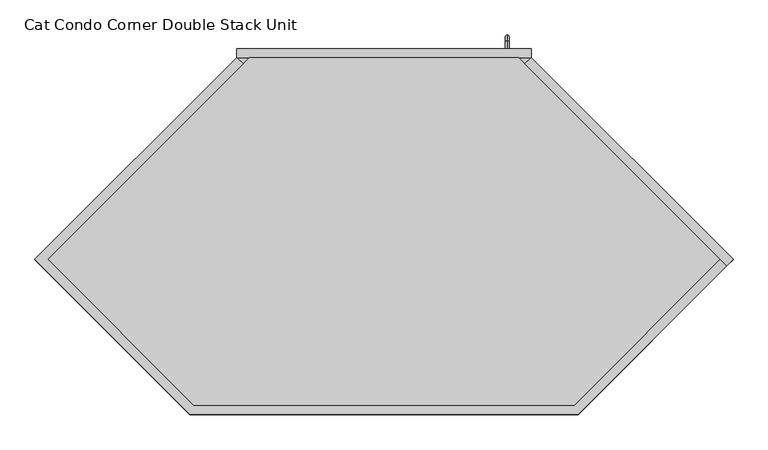
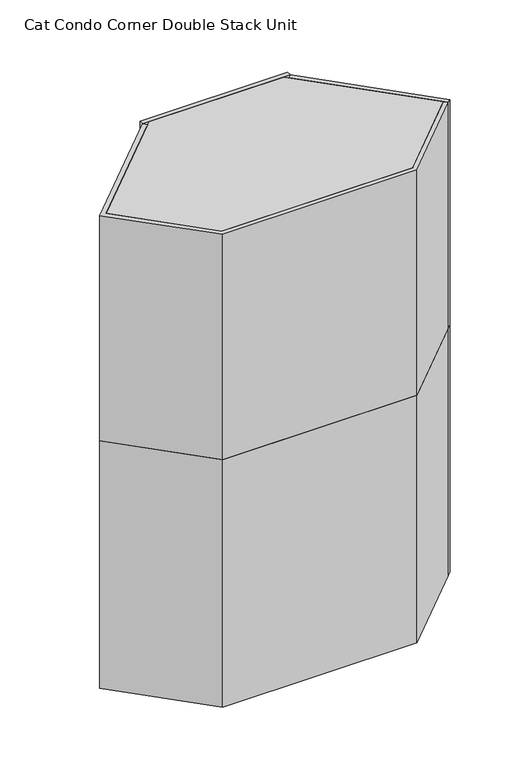
"""IFC4 building model written with IfcOpenShell, lengths in millimetres: proxy geometry, Cat Condo Corner Double Stack Unit."""

from ifc_helpers import new_model, si_unit, point, frame, frame_2d, origin, origin_with_axes, place, context, project, spatial, polyline, circle_curve, ellipse_curve, trimmed, segment, composite_curve, outline, extrude, faceted_brep, source, transform, mapped, element, save
from ifc_brep_helpers import plane_surface, cylinder_surface, revolved_surface, advanced_brep


def cat_condo_corner_double_stack_unit_9100a44b(model_context):
    return source(origin(), model_context, "Body", "SolidModel", [
        advanced_brep(
        [(567.1128423, 19.05, 1256.5493154), (567.1128423, 19.05, 1264.4006846), (567.1128423, 35.2117768, 1264.4006846), (567.1128423, 35.2117768, 1256.5493154), (567.1128423, 48.3756846, 1251.2367768), (567.1128423, 40.5243154, 1251.2367768), (567.1128423, 48.3756846, 1168.1132232), (567.1128423, 40.5243154, 1168.1132232), (567.1128423, 35.2117768, 1154.9493154), (567.1128423, 35.2117768, 1162.8006846), (567.1128423, 19.05, 1162.8006846), (567.1128423, 19.05, 1154.9493154)],
        [
            (0, 1, circle_curve(frame((567.1128423, 19.05, 1260.475), z_axis=(0.0, -1.0, 0.0), x_axis=(0.0, 0.0, 1.0)), 3.9256846)),
            (1, 0, circle_curve(frame((567.1128423, 19.05, 1260.475), z_axis=(0.0, -1.0, 0.0), x_axis=(0.0, 0.0, 1.0)), 3.9256846)),
            (1, 2),
            (2, 3, circle_curve(frame((567.1128423, 35.2117768, 1260.475), z_axis=(0.0, -1.0, 0.0), x_axis=(0.0, 0.0, 1.0)), 3.9256846)),
            (3, 0),
            (3, 2, circle_curve(frame((567.1128423, 35.2117768, 1260.475), z_axis=(0.0, -1.0, 0.0), x_axis=(0.0, 0.0, 1.0)), 3.9256846)),
            (4, 5, circle_curve(frame((567.1128423, 44.45, 1251.2367768), z_axis=(0.0, 0.0, 1.0), x_axis=(0.0, 1.0, 0.0)), 3.9256846)),
            (5, 3, circle_curve(frame((567.1128423, 35.2117768, 1251.2367768), z_axis=(1.0, 0.0, 0.0), x_axis=(0.0, 0.0, 1.0)), 5.3125387)),
            (2, 4, circle_curve(frame((567.1128423, 35.2117768, 1251.2367768), z_axis=(-1.0, 0.0, 0.0), x_axis=(0.0, 0.0, 1.0)), 13.1639078)),
            (5, 4, circle_curve(frame((567.1128423, 44.45, 1251.2367768), z_axis=(0.0, 0.0, 1.0), x_axis=(0.0, 1.0, 0.0)), 3.9256846)),
            (4, 6),
            (6, 7, circle_curve(frame((567.1128423, 44.45, 1168.1132232), z_axis=(0.0, 0.0, 1.0), x_axis=(0.0, 1.0, 0.0)), 3.9256846)),
            (7, 5),
            (7, 6, circle_curve(frame((567.1128423, 44.45, 1168.1132232), z_axis=(0.0, 0.0, 1.0), x_axis=(0.0, 1.0, 0.0)), 3.9256846)),
            (8, 9, circle_curve(frame((567.1128423, 35.2117768, 1158.875), z_axis=(0.0, 1.0, 0.0), x_axis=(0.0, 0.0, -1.0)), 3.9256846)),
            (9, 7, circle_curve(frame((567.1128423, 35.2117768, 1168.1132232), z_axis=(1.0, 0.0, 0.0), x_axis=(0.0, 1.0, 0.0)), 5.3125387)),
            (6, 8, circle_curve(frame((567.1128423, 35.2117768, 1168.1132232), z_axis=(-1.0, 0.0, 0.0), x_axis=(0.0, 1.0, 0.0)), 13.1639078)),
            (9, 8, circle_curve(frame((567.1128423, 35.2117768, 1158.875), z_axis=(0.0, 1.0, 0.0), x_axis=(0.0, 0.0, -1.0)), 3.9256846)),
            (10, 11, circle_curve(frame((567.1128423, 19.05, 1158.875), z_axis=(0.0, -1.0, 0.0), x_axis=(0.0, 0.0, -1.0)), 3.9256846)),
            (11, 10, circle_curve(frame((567.1128423, 19.05, 1158.875), z_axis=(0.0, -1.0, 0.0), x_axis=(0.0, 0.0, -1.0)), 3.9256846)),
            (8, 11),
            (10, 9),
        ],
        [
            plane_surface(frame((567.1128423, 19.05, 1260.475), z_axis=(0.0, -1.0, 0.0), x_axis=(1.0, 0.0, 0.0))),
            cylinder_surface(frame((567.1128423, 19.05, 1260.475), z_axis=(0.0, -1.0, 0.0), x_axis=(0.0, 0.0, 1.0)), 3.9256846),
            revolved_surface(trimmed(ellipse_curve(frame((567.1128423, 35.2117768, 1260.475), z_axis=(0.0, 1.0, 0.0), x_axis=(0.0, 0.0, 1.0)), 3.9256846, 3.9256846), [point((567.1128423, 35.2117768, 1256.5493154))], [point((567.1128423, 35.2117768, 1264.4006846))], True, "CARTESIAN"), (567.1128423, 35.2117768, 1251.2367768), (1.0, 0.0, 0.0)),
            revolved_surface(trimmed(ellipse_curve(frame((567.1128423, 35.2117768, 1260.475), z_axis=(0.0, 1.0, 0.0), x_axis=(0.0, 0.0, 1.0)), 3.9256846, 3.9256846), [point((567.1128423, 35.2117768, 1264.4006846))], [point((567.1128423, 35.2117768, 1256.5493154))], True, "CARTESIAN"), (567.1128423, 35.2117768, 1251.2367768), (1.0, 0.0, 0.0)),
            cylinder_surface(frame((567.1128423, 44.45, 1251.2367768), z_axis=(0.0, 0.0, 1.0), x_axis=(0.0, 1.0, 0.0)), 3.9256846),
            revolved_surface(trimmed(ellipse_curve(frame((567.1128423, 44.45, 1168.1132232), z_axis=(0.0, 0.0, -1.0), x_axis=(0.0, 1.0, 0.0)), 3.9256846, 3.9256846), [point((567.1128423, 40.5243154, 1168.1132232))], [point((567.1128423, 48.3756846, 1168.1132232))], True, "CARTESIAN"), (567.1128423, 35.2117768, 1168.1132232), (1.0, 0.0, 0.0)),
            revolved_surface(trimmed(ellipse_curve(frame((567.1128423, 44.45, 1168.1132232), z_axis=(0.0, 0.0, -1.0), x_axis=(0.0, 1.0, 0.0)), 3.9256846, 3.9256846), [point((567.1128423, 48.3756846, 1168.1132232))], [point((567.1128423, 40.5243154, 1168.1132232))], True, "CARTESIAN"), (567.1128423, 35.2117768, 1168.1132232), (1.0, 0.0, 0.0)),
            plane_surface(frame((567.1128423, 19.05, 1158.875), z_axis=(0.0, -1.0, 0.0), x_axis=(1.0, 0.0, 0.0))),
            cylinder_surface(frame((567.1128423, 35.2117768, 1158.875), z_axis=(0.0, 1.0, 0.0), x_axis=(0.0, 0.0, -1.0)), 3.9256846),
        ],
        [
            (0, [[1, 2]]),
            (1, [[3, 4, 5, -2]]),
            (1, [[-5, 6, -3, -1]]),
            (2, [[7, 8, -4, 9]]),
            (3, [[10, -9, -6, -8]]),
            (4, [[11, 12, 13, -7]]),
            (4, [[-13, 14, -11, -10]]),
            (5, [[15, 16, -12, 17]]),
            (6, [[18, -17, -14, -16]]),
            (7, [[19, 20]]),
            (8, [[21, -19, 22, -15]]),
            (8, [[-22, -20, -21, -18]]),
        ],
    ),
        extrude(outline(polyline([(1035.8671158, -444.522678), (604.814822, -13.4703842), (618.2852062, 0.0), (1049.3375, -431.0522938), (1035.8671158, -444.522678)])), frame((0.0, 0.0, 1114.425), z_axis=(0.0, 0.0, 1.0), x_axis=(1.0, 0.0, 0.0)), (0.0, 0.0, 1.0), 1012.825),
        extrude(outline(polyline([(-110.3772938, -762.0), (-441.325, -431.0522938), (-10.2727062, 0.0), (3.197678, -13.4703842), (-414.3842316, -431.0522938), (-102.4865254, -742.95), (710.4990254, -742.95), (1022.3967316, -431.0522938), (1035.8671158, -444.522678), (718.3897938, -762.0), (-110.3772938, -762.0)])), frame((0.0, 0.0, 1114.425), z_axis=(0.0, 0.0, 1.0), x_axis=(1.0, 0.0, 0.0)), (0.0, 0.0, 1.0), 1012.825),
        extrude(outline(polyline([(1022.3967316, -431.0522938), (710.4990254, -742.95), (-102.4865254, -742.95), (-414.3842316, -431.0522938), (16.6680622, 0.0), (591.3444378, 0.0), (1022.3967316, -431.0522938)])), frame((0.0, 0.0, 2108.2), z_axis=(0.0, 0.0, 1.0), x_axis=(1.0, 0.0, 0.0)), (0.0, 0.0, 1.0), 19.05),
        extrude(outline(polyline([(-102.4865254, -742.95), (-414.3842316, -431.0522938), (-2.3819378, -19.05), (610.3944378, -19.05), (1022.3967316, -431.0522938), (710.4990254, -742.95), (-102.4865254, -742.95)])), frame((0.0, 0.0, 1114.425), z_axis=(0.0, 0.0, 1.0), x_axis=(1.0, 0.0, 0.0)), (0.0, 0.0, 1.0), 19.05),
        extrude(outline(composite_curve([segment(trimmed(circle_curve(frame_2d((9.6602248, 1944.6875)), 0.79375), [point((9.6602248, 1945.48125))], [point((9.6602248, 1943.89375))], False, "CARTESIAN"), True, "CONTINUOUS"), segment(trimmed(circle_curve(frame_2d((9.6602248, 1944.6875)), 0.79375), [point((9.6602248, 1943.89375))], [point((9.6602248, 1945.48125))], False, "CARTESIAN"), True, "CONTINUOUS")], self_intersect=False)), frame((78.58125, 0.0, 0.0), z_axis=(1.0, 0.0, 0.0), x_axis=(0.0, 1.0, 0.0)), (0.0, 0.0, 1.0), 450.85),
        extrude(outline(composite_curve([segment(trimmed(circle_curve(frame_2d((9.6602248, 1843.0875)), 0.79375), [point((9.6602248, 1843.88125))], [point((9.6602248, 1842.29375))], False, "CARTESIAN"), True, "CONTINUOUS"), segment(trimmed(circle_curve(frame_2d((9.6602248, 1843.0875)), 0.79375), [point((9.6602248, 1842.29375))], [point((9.6602248, 1843.88125))], False, "CARTESIAN"), True, "CONTINUOUS")], self_intersect=False)), frame((78.58125, 0.0, 0.0), z_axis=(1.0, 0.0, 0.0), x_axis=(0.0, 1.0, 0.0)), (0.0, 0.0, 1.0), 450.85),
        extrude(outline(composite_curve([segment(trimmed(circle_curve(frame_2d((9.6602248, 1741.4875)), 0.79375), [point((9.6602248, 1742.28125))], [point((9.6602248, 1740.69375))], False, "CARTESIAN"), True, "CONTINUOUS"), segment(trimmed(circle_curve(frame_2d((9.6602248, 1741.4875)), 0.79375), [point((9.6602248, 1740.69375))], [point((9.6602248, 1742.28125))], False, "CARTESIAN"), True, "CONTINUOUS")], self_intersect=False)), frame((78.58125, 0.0, 0.0), z_axis=(1.0, 0.0, 0.0), x_axis=(0.0, 1.0, 0.0)), (0.0, 0.0, 1.0), 450.85),
        extrude(outline(composite_curve([segment(trimmed(circle_curve(frame_2d((9.6602248, 1639.8875)), 0.79375), [point((9.6602248, 1640.68125))], [point((9.6602248, 1639.09375))], False, "CARTESIAN"), True, "CONTINUOUS"), segment(trimmed(circle_curve(frame_2d((9.6602248, 1639.8875)), 0.79375), [point((9.6602248, 1639.09375))], [point((9.6602248, 1640.68125))], False, "CARTESIAN"), True, "CONTINUOUS")], self_intersect=False)), frame((78.58125, 0.0, 0.0), z_axis=(1.0, 0.0, 0.0), x_axis=(0.0, 1.0, 0.0)), (0.0, 0.0, 1.0), 450.85),
        extrude(outline(composite_curve([segment(trimmed(circle_curve(frame_2d((9.6602248, 1538.2875)), 0.79375), [point((9.6602248, 1539.08125))], [point((9.6602248, 1537.49375))], False, "CARTESIAN"), True, "CONTINUOUS"), segment(trimmed(circle_curve(frame_2d((9.6602248, 1538.2875)), 0.79375), [point((9.6602248, 1537.49375))], [point((9.6602248, 1539.08125))], False, "CARTESIAN"), True, "CONTINUOUS")], self_intersect=False)), frame((78.58125, 0.0, 0.0), z_axis=(1.0, 0.0, 0.0), x_axis=(0.0, 1.0, 0.0)), (0.0, 0.0, 1.0), 450.85),
        extrude(outline(composite_curve([segment(trimmed(circle_curve(frame_2d((9.6602248, 1436.6875)), 0.79375), [point((9.6602248, 1437.48125))], [point((9.6602248, 1435.89375))], False, "CARTESIAN"), True, "CONTINUOUS"), segment(trimmed(circle_curve(frame_2d((9.6602248, 1436.6875)), 0.79375), [point((9.6602248, 1435.89375))], [point((9.6602248, 1437.48125))], False, "CARTESIAN"), True, "CONTINUOUS")], self_intersect=False)), frame((78.58125, 0.0, 0.0), z_axis=(1.0, 0.0, 0.0), x_axis=(0.0, 1.0, 0.0)), (0.0, 0.0, 1.0), 450.85),
        extrude(outline(composite_curve([segment(trimmed(circle_curve(frame_2d((9.6602248, 1335.0875)), 0.79375), [point((9.6602248, 1335.88125))], [point((9.6602248, 1334.29375))], False, "CARTESIAN"), True, "CONTINUOUS"), segment(trimmed(circle_curve(frame_2d((9.6602248, 1335.0875)), 0.79375), [point((9.6602248, 1334.29375))], [point((9.6602248, 1335.88125))], False, "CARTESIAN"), True, "CONTINUOUS")], self_intersect=False)), frame((78.58125, 0.0, 0.0), z_axis=(1.0, 0.0, 0.0), x_axis=(0.0, 1.0, 0.0)), (0.0, 0.0, 1.0), 450.85),
        extrude(outline(composite_curve([segment(trimmed(circle_curve(frame_2d((511.0919665, 9.6602248)), 0.79375), [point((510.2982165, 9.6602248))], [point((511.8857165, 9.6602248))], False, "CARTESIAN"), True, "CONTINUOUS"), segment(trimmed(circle_curve(frame_2d((511.0919665, 9.6602248)), 0.79375), [point((511.8857165, 9.6602248))], [point((510.2982165, 9.6602248))], False, "CARTESIAN"), True, "CONTINUOUS")], self_intersect=False)), frame((0.0, 0.0, 1244.6), z_axis=(0.0, 0.0, 1.0), x_axis=(1.0, 0.0, 0.0)), (0.0, 0.0, 1.0), 803.275),
        extrude(outline(composite_curve([segment(trimmed(circle_curve(frame_2d((485.6919665, 9.6602248)), 0.79375), [point((484.8982165, 9.6602248))], [point((486.4857165, 9.6602248))], False, "CARTESIAN"), True, "CONTINUOUS"), segment(trimmed(circle_curve(frame_2d((485.6919665, 9.6602248)), 0.79375), [point((486.4857165, 9.6602248))], [point((484.8982165, 9.6602248))], False, "CARTESIAN"), True, "CONTINUOUS")], self_intersect=False)), frame((0.0, 0.0, 1244.6), z_axis=(0.0, 0.0, 1.0), x_axis=(1.0, 0.0, 0.0)), (0.0, 0.0, 1.0), 803.275),
        extrude(outline(composite_curve([segment(trimmed(circle_curve(frame_2d((460.2919665, 9.6602248)), 0.79375), [point((459.4982165, 9.6602248))], [point((461.0857165, 9.6602248))], False, "CARTESIAN"), True, "CONTINUOUS"), segment(trimmed(circle_curve(frame_2d((460.2919665, 9.6602248)), 0.79375), [point((461.0857165, 9.6602248))], [point((459.4982165, 9.6602248))], False, "CARTESIAN"), True, "CONTINUOUS")], self_intersect=False)), frame((0.0, 0.0, 1244.6), z_axis=(0.0, 0.0, 1.0), x_axis=(1.0, 0.0, 0.0)), (0.0, 0.0, 1.0), 803.275),
        extrude(outline(composite_curve([segment(trimmed(circle_curve(frame_2d((434.8919665, 9.6602248)), 0.79375), [point((434.0982165, 9.6602248))], [point((435.6857165, 9.6602248))], False, "CARTESIAN"), True, "CONTINUOUS"), segment(trimmed(circle_curve(frame_2d((434.8919665, 9.6602248)), 0.79375), [point((435.6857165, 9.6602248))], [point((434.0982165, 9.6602248))], False, "CARTESIAN"), True, "CONTINUOUS")], self_intersect=False)), frame((0.0, 0.0, 1244.6), z_axis=(0.0, 0.0, 1.0), x_axis=(1.0, 0.0, 0.0)), (0.0, 0.0, 1.0), 803.275),
        extrude(outline(composite_curve([segment(trimmed(circle_curve(frame_2d((409.4919665, 9.6602248)), 0.79375), [point((408.6982165, 9.6602248))], [point((410.2857165, 9.6602248))], False, "CARTESIAN"), True, "CONTINUOUS"), segment(trimmed(circle_curve(frame_2d((409.4919665, 9.6602248)), 0.79375), [point((410.2857165, 9.6602248))], [point((408.6982165, 9.6602248))], False, "CARTESIAN"), True, "CONTINUOUS")], self_intersect=False)), frame((0.0, 0.0, 1244.6), z_axis=(0.0, 0.0, 1.0), x_axis=(1.0, 0.0, 0.0)), (0.0, 0.0, 1.0), 803.275),
        extrude(outline(composite_curve([segment(trimmed(circle_curve(frame_2d((384.0919665, 9.6602248)), 0.79375), [point((383.2982165, 9.6602248))], [point((384.8857165, 9.6602248))], False, "CARTESIAN"), True, "CONTINUOUS"), segment(trimmed(circle_curve(frame_2d((384.0919665, 9.6602248)), 0.79375), [point((384.8857165, 9.6602248))], [point((383.2982165, 9.6602248))], False, "CARTESIAN"), True, "CONTINUOUS")], self_intersect=False)), frame((0.0, 0.0, 1244.6), z_axis=(0.0, 0.0, 1.0), x_axis=(1.0, 0.0, 0.0)), (0.0, 0.0, 1.0), 803.275),
        extrude(outline(composite_curve([segment(trimmed(circle_curve(frame_2d((358.6919665, 9.6602248)), 0.79375), [point((357.8982165, 9.6602248))], [point((359.4857165, 9.6602248))], False, "CARTESIAN"), True, "CONTINUOUS"), segment(trimmed(circle_curve(frame_2d((358.6919665, 9.6602248)), 0.79375), [point((359.4857165, 9.6602248))], [point((357.8982165, 9.6602248))], False, "CARTESIAN"), True, "CONTINUOUS")], self_intersect=False)), frame((0.0, 0.0, 1244.6), z_axis=(0.0, 0.0, 1.0), x_axis=(1.0, 0.0, 0.0)), (0.0, 0.0, 1.0), 803.275),
        extrude(outline(composite_curve([segment(trimmed(circle_curve(frame_2d((333.2919665, 9.6602248)), 0.79375), [point((332.4982165, 9.6602248))], [point((334.0857165, 9.6602248))], False, "CARTESIAN"), True, "CONTINUOUS"), segment(trimmed(circle_curve(frame_2d((333.2919665, 9.6602248)), 0.79375), [point((334.0857165, 9.6602248))], [point((332.4982165, 9.6602248))], False, "CARTESIAN"), True, "CONTINUOUS")], self_intersect=False)), frame((0.0, 0.0, 1244.6), z_axis=(0.0, 0.0, 1.0), x_axis=(1.0, 0.0, 0.0)), (0.0, 0.0, 1.0), 803.275),
        extrude(outline(composite_curve([segment(trimmed(circle_curve(frame_2d((307.8919665, 9.6602248)), 0.79375), [point((307.0982165, 9.6602248))], [point((308.6857165, 9.6602248))], False, "CARTESIAN"), True, "CONTINUOUS"), segment(trimmed(circle_curve(frame_2d((307.8919665, 9.6602248)), 0.79375), [point((308.6857165, 9.6602248))], [point((307.0982165, 9.6602248))], False, "CARTESIAN"), True, "CONTINUOUS")], self_intersect=False)), frame((0.0, 0.0, 1244.6), z_axis=(0.0, 0.0, 1.0), x_axis=(1.0, 0.0, 0.0)), (0.0, 0.0, 1.0), 803.275),
        extrude(outline(composite_curve([segment(trimmed(circle_curve(frame_2d((282.4919665, 9.6602248)), 0.79375), [point((281.6982165, 9.6602248))], [point((283.2857165, 9.6602248))], False, "CARTESIAN"), True, "CONTINUOUS"), segment(trimmed(circle_curve(frame_2d((282.4919665, 9.6602248)), 0.79375), [point((283.2857165, 9.6602248))], [point((281.6982165, 9.6602248))], False, "CARTESIAN"), True, "CONTINUOUS")], self_intersect=False)), frame((0.0, 0.0, 1244.6), z_axis=(0.0, 0.0, 1.0), x_axis=(1.0, 0.0, 0.0)), (0.0, 0.0, 1.0), 803.275),
        extrude(outline(composite_curve([segment(trimmed(circle_curve(frame_2d((257.0919665, 9.6602248)), 0.79375), [point((256.2982165, 9.6602248))], [point((257.8857165, 9.6602248))], False, "CARTESIAN"), True, "CONTINUOUS"), segment(trimmed(circle_curve(frame_2d((257.0919665, 9.6602248)), 0.79375), [point((257.8857165, 9.6602248))], [point((256.2982165, 9.6602248))], False, "CARTESIAN"), True, "CONTINUOUS")], self_intersect=False)), frame((0.0, 0.0, 1244.6), z_axis=(0.0, 0.0, 1.0), x_axis=(1.0, 0.0, 0.0)), (0.0, 0.0, 1.0), 803.275),
        extrude(outline(composite_curve([segment(trimmed(circle_curve(frame_2d((231.6919665, 9.6602248)), 0.79375), [point((230.8982165, 9.6602248))], [point((232.4857165, 9.6602248))], False, "CARTESIAN"), True, "CONTINUOUS"), segment(trimmed(circle_curve(frame_2d((231.6919665, 9.6602248)), 0.79375), [point((232.4857165, 9.6602248))], [point((230.8982165, 9.6602248))], False, "CARTESIAN"), True, "CONTINUOUS")], self_intersect=False)), frame((0.0, 0.0, 1244.6), z_axis=(0.0, 0.0, 1.0), x_axis=(1.0, 0.0, 0.0)), (0.0, 0.0, 1.0), 803.275),
        extrude(outline(composite_curve([segment(trimmed(circle_curve(frame_2d((206.2919665, 9.6602248)), 0.79375), [point((205.4982165, 9.6602248))], [point((207.0857165, 9.6602248))], False, "CARTESIAN"), True, "CONTINUOUS"), segment(trimmed(circle_curve(frame_2d((206.2919665, 9.6602248)), 0.79375), [point((207.0857165, 9.6602248))], [point((205.4982165, 9.6602248))], False, "CARTESIAN"), True, "CONTINUOUS")], self_intersect=False)), frame((0.0, 0.0, 1244.6), z_axis=(0.0, 0.0, 1.0), x_axis=(1.0, 0.0, 0.0)), (0.0, 0.0, 1.0), 803.275),
        extrude(outline(composite_curve([segment(trimmed(circle_curve(frame_2d((180.8919665, 9.6602248)), 0.79375), [point((180.0982165, 9.6602248))], [point((181.6857165, 9.6602248))], False, "CARTESIAN"), True, "CONTINUOUS"), segment(trimmed(circle_curve(frame_2d((180.8919665, 9.6602248)), 0.79375), [point((181.6857165, 9.6602248))], [point((180.0982165, 9.6602248))], False, "CARTESIAN"), True, "CONTINUOUS")], self_intersect=False)), frame((0.0, 0.0, 1244.6), z_axis=(0.0, 0.0, 1.0), x_axis=(1.0, 0.0, 0.0)), (0.0, 0.0, 1.0), 803.275),
        extrude(outline(composite_curve([segment(trimmed(circle_curve(frame_2d((155.4919665, 9.6602248)), 0.79375), [point((154.6982165, 9.6602248))], [point((156.2857165, 9.6602248))], False, "CARTESIAN"), True, "CONTINUOUS"), segment(trimmed(circle_curve(frame_2d((155.4919665, 9.6602248)), 0.79375), [point((156.2857165, 9.6602248))], [point((154.6982165, 9.6602248))], False, "CARTESIAN"), True, "CONTINUOUS")], self_intersect=False)), frame((0.0, 0.0, 1244.6), z_axis=(0.0, 0.0, 1.0), x_axis=(1.0, 0.0, 0.0)), (0.0, 0.0, 1.0), 803.275),
        extrude(outline(composite_curve([segment(trimmed(circle_curve(frame_2d((130.0919665, 9.6602248)), 0.79375), [point((129.2982165, 9.6602248))], [point((130.8857165, 9.6602248))], False, "CARTESIAN"), True, "CONTINUOUS"), segment(trimmed(circle_curve(frame_2d((130.0919665, 9.6602248)), 0.79375), [point((130.8857165, 9.6602248))], [point((129.2982165, 9.6602248))], False, "CARTESIAN"), True, "CONTINUOUS")], self_intersect=False)), frame((0.0, 0.0, 1244.6), z_axis=(0.0, 0.0, 1.0), x_axis=(1.0, 0.0, 0.0)), (0.0, 0.0, 1.0), 803.275),
        extrude(outline(composite_curve([segment(trimmed(circle_curve(frame_2d((104.6919665, 9.6602248)), 0.79375), [point((103.8982165, 9.6602248))], [point((105.4857165, 9.6602248))], False, "CARTESIAN"), True, "CONTINUOUS"), segment(trimmed(circle_curve(frame_2d((104.6919665, 9.6602248)), 0.79375), [point((105.4857165, 9.6602248))], [point((103.8982165, 9.6602248))], False, "CARTESIAN"), True, "CONTINUOUS")], self_intersect=False)), frame((0.0, 0.0, 1244.6), z_axis=(0.0, 0.0, 1.0), x_axis=(1.0, 0.0, 0.0)), (0.0, 0.0, 1.0), 803.275),
        extrude(outline(polyline([(2127.25, -10.2727062), (1114.425, -10.2727062), (1114.425, 618.2852062), (2127.25, 618.2852062), (2127.25, -10.2727062)]), holes=[composite_curve([segment(trimmed(circle_curve(frame_2d((2022.475, 504.03125)), 25.4), [point((2047.875, 504.03125))], [point((2022.475, 529.43125))], True, "CARTESIAN"), True, "CONTINUOUS"), segment(polyline([(2022.475, 529.43125), (1270.0, 529.43125)]), True, "CONTINUOUS"), segment(trimmed(circle_curve(frame_2d((1270.0, 504.03125)), 25.4), [point((1270.0, 529.43125))], [point((1244.6, 504.03125))], True, "CARTESIAN"), True, "CONTINUOUS"), segment(polyline([(1244.6, 504.03125), (1244.6, 103.98125)]), True, "CONTINUOUS"), segment(trimmed(circle_curve(frame_2d((1270.0, 103.98125)), 25.4), [point((1244.6, 103.98125))], [point((1270.0, 78.58125))], True, "CARTESIAN"), True, "CONTINUOUS"), segment(polyline([(1270.0, 78.58125), (2022.475, 78.58125)]), True, "CONTINUOUS"), segment(trimmed(circle_curve(frame_2d((2022.475, 103.98125)), 25.4), [point((2022.475, 78.58125))], [point((2047.875, 103.98125))], True, "CARTESIAN"), True, "CONTINUOUS"), segment(polyline([(2047.875, 103.98125), (2047.875, 504.03125)]), True, "CONTINUOUS")], self_intersect=False)]), frame((0.0, 0.0, 0.0), z_axis=(0.0, 1.0, 0.0), x_axis=(0.0, 0.0, 1.0)), (0.0, 0.0, 1.0), 19.05),
        advanced_brep(
        [(567.1128423, 19.05, 1069.2243154), (567.1128423, 19.05, 1077.0756846), (567.1128423, 35.2117768, 1077.0756846), (567.1128423, 35.2117768, 1069.2243154), (567.1128423, 48.3756846, 1063.9117768), (567.1128423, 40.5243154, 1063.9117768), (567.1128423, 48.3756846, 980.7882232), (567.1128423, 40.5243154, 980.7882232), (567.1128423, 35.2117768, 967.6243154), (567.1128423, 35.2117768, 975.4756846), (567.1128423, 19.05, 975.4756846), (567.1128423, 19.05, 967.6243154)],
        [
            (0, 1, circle_curve(frame((567.1128423, 19.05, 1073.15), z_axis=(0.0, -1.0, 0.0), x_axis=(0.0, 0.0, 1.0)), 3.9256846)),
            (1, 0, circle_curve(frame((567.1128423, 19.05, 1073.15), z_axis=(0.0, -1.0, 0.0), x_axis=(0.0, 0.0, 1.0)), 3.9256846)),
            (1, 2),
            (2, 3, circle_curve(frame((567.1128423, 35.2117768, 1073.15), z_axis=(0.0, -1.0, 0.0), x_axis=(0.0, 0.0, 1.0)), 3.9256846)),
            (3, 0),
            (3, 2, circle_curve(frame((567.1128423, 35.2117768, 1073.15), z_axis=(0.0, -1.0, 0.0), x_axis=(0.0, 0.0, 1.0)), 3.9256846)),
            (4, 5, circle_curve(frame((567.1128423, 44.45, 1063.9117768), z_axis=(0.0, 0.0, 1.0), x_axis=(0.0, 1.0, 0.0)), 3.9256846)),
            (5, 3, circle_curve(frame((567.1128423, 35.2117768, 1063.9117768), z_axis=(1.0, 0.0, 0.0), x_axis=(0.0, 0.0, 1.0)), 5.3125387)),
            (2, 4, circle_curve(frame((567.1128423, 35.2117768, 1063.9117768), z_axis=(-1.0, 0.0, 0.0), x_axis=(0.0, 0.0, 1.0)), 13.1639078)),
            (5, 4, circle_curve(frame((567.1128423, 44.45, 1063.9117768), z_axis=(0.0, 0.0, 1.0), x_axis=(0.0, 1.0, 0.0)), 3.9256846)),
            (4, 6),
            (6, 7, circle_curve(frame((567.1128423, 44.45, 980.7882232), z_axis=(0.0, 0.0, 1.0), x_axis=(0.0, 1.0, 0.0)), 3.9256846)),
            (7, 5),
            (7, 6, circle_curve(frame((567.1128423, 44.45, 980.7882232), z_axis=(0.0, 0.0, 1.0), x_axis=(0.0, 1.0, 0.0)), 3.9256846)),
            (8, 9, circle_curve(frame((567.1128423, 35.2117768, 971.55), z_axis=(0.0, 1.0, 0.0), x_axis=(0.0, 0.0, -1.0)), 3.9256846)),
            (9, 7, circle_curve(frame((567.1128423, 35.2117768, 980.7882232), z_axis=(1.0, 0.0, 0.0), x_axis=(0.0, 1.0, 0.0)), 5.3125387)),
            (6, 8, circle_curve(frame((567.1128423, 35.2117768, 980.7882232), z_axis=(-1.0, 0.0, 0.0), x_axis=(0.0, 1.0, 0.0)), 13.1639078)),
            (9, 8, circle_curve(frame((567.1128423, 35.2117768, 971.55), z_axis=(0.0, 1.0, 0.0), x_axis=(0.0, 0.0, -1.0)), 3.9256846)),
            (10, 11, circle_curve(frame((567.1128423, 19.05, 971.55), z_axis=(0.0, -1.0, 0.0), x_axis=(0.0, 0.0, -1.0)), 3.9256846)),
            (11, 10, circle_curve(frame((567.1128423, 19.05, 971.55), z_axis=(0.0, -1.0, 0.0), x_axis=(0.0, 0.0, -1.0)), 3.9256846)),
            (8, 11),
            (10, 9),
        ],
        [
            plane_surface(frame((567.1128423, 19.05, 1073.15), z_axis=(0.0, -1.0, 0.0), x_axis=(1.0, 0.0, 0.0))),
            cylinder_surface(frame((567.1128423, 19.05, 1073.15), z_axis=(0.0, -1.0, 0.0), x_axis=(0.0, 0.0, 1.0)), 3.9256846),
            revolved_surface(trimmed(ellipse_curve(frame((567.1128423, 35.2117768, 1073.15), z_axis=(0.0, 1.0, 0.0), x_axis=(0.0, 0.0, 1.0)), 3.9256846, 3.9256846), [point((567.1128423, 35.2117768, 1069.2243154))], [point((567.1128423, 35.2117768, 1077.0756846))], True, "CARTESIAN"), (567.1128423, 35.2117768, 1063.9117768), (1.0, 0.0, 0.0)),
            revolved_surface(trimmed(ellipse_curve(frame((567.1128423, 35.2117768, 1073.15), z_axis=(0.0, 1.0, 0.0), x_axis=(0.0, 0.0, 1.0)), 3.9256846, 3.9256846), [point((567.1128423, 35.2117768, 1077.0756846))], [point((567.1128423, 35.2117768, 1069.2243154))], True, "CARTESIAN"), (567.1128423, 35.2117768, 1063.9117768), (1.0, 0.0, 0.0)),
            cylinder_surface(frame((567.1128423, 44.45, 1063.9117768), z_axis=(0.0, 0.0, 1.0), x_axis=(0.0, 1.0, 0.0)), 3.9256846),
            revolved_surface(trimmed(ellipse_curve(frame((567.1128423, 44.45, 980.7882232), z_axis=(0.0, 0.0, -1.0), x_axis=(0.0, 1.0, 0.0)), 3.9256846, 3.9256846), [point((567.1128423, 40.5243154, 980.7882232))], [point((567.1128423, 48.3756846, 980.7882232))], True, "CARTESIAN"), (567.1128423, 35.2117768, 980.7882232), (1.0, 0.0, 0.0)),
            revolved_surface(trimmed(ellipse_curve(frame((567.1128423, 44.45, 980.7882232), z_axis=(0.0, 0.0, -1.0), x_axis=(0.0, 1.0, 0.0)), 3.9256846, 3.9256846), [point((567.1128423, 48.3756846, 980.7882232))], [point((567.1128423, 40.5243154, 980.7882232))], True, "CARTESIAN"), (567.1128423, 35.2117768, 980.7882232), (1.0, 0.0, 0.0)),
            plane_surface(frame((567.1128423, 19.05, 971.55), z_axis=(0.0, -1.0, 0.0), x_axis=(1.0, 0.0, 0.0))),
            cylinder_surface(frame((567.1128423, 35.2117768, 971.55), z_axis=(0.0, 1.0, 0.0), x_axis=(0.0, 0.0, -1.0)), 3.9256846),
        ],
        [
            (0, [[1, 2]]),
            (1, [[3, 4, 5, -2]]),
            (1, [[-5, 6, -3, -1]]),
            (2, [[7, 8, -4, 9]]),
            (3, [[10, -9, -6, -8]]),
            (4, [[11, 12, 13, -7]]),
            (4, [[-13, 14, -11, -10]]),
            (5, [[15, 16, -12, 17]]),
            (6, [[18, -17, -14, -16]]),
            (7, [[19, 20]]),
            (8, [[21, -19, 22, -15]]),
            (8, [[-22, -20, -21, -18]]),
        ],
    ),
        extrude(outline(polyline([(1035.8671158, -444.522678), (604.814822, -13.4703842), (618.2852062, 0.0), (1049.3375, -431.0522938), (1035.8671158, -444.522678)])), origin_with_axes(), (0.0, 0.0, 1.0), 1114.425),
        faceted_brep([(718.3897938, -762.0, 1114.425), (1035.8671158, -444.522678, 1114.425), (1022.3967316, -431.0522938, 1114.425), (710.4990254, -742.95, 1114.425), (-102.4865254, -742.95, 1114.425), (-414.3842316, -431.0522938, 1114.425), (3.197678, -13.4703842, 1114.425), (-10.2727062, 0.0, 1114.425), (-441.325, -431.0522938, 1114.425), (-110.3772938, -762.0, 1114.425), (-110.3772938, -762.0, 0.0), (-441.325, -431.0522938, 0.0), (-10.2727062, 0.0, 0.0), (618.2852062, 0.0, 0.0), (618.2852062, -19.05, 0.0), (-2.3819378, -19.05, 0.0), (-414.3842316, -431.0522938, 0.0), (-102.4865254, -742.95, 0.0), (710.4990254, -742.95, 0.0), (1022.3967316, -431.0522938, 0.0), (1035.8671158, -444.522678, 0.0), (718.3897938, -762.0, 0.0), (-10.2727062, 0.0, 101.6), (3.197678, -13.4703842, 101.6), (-2.3819378, -19.05, 101.6), (618.2852062, -19.05, 101.6), (618.2852062, 0.0, 101.6)], [[[0, 1, 2, 3, 4, 5, 6, 7, 8, 9]], [[10, 11, 12, 13, 14, 15, 16, 17, 18, 19, 20, 21]], [[9, 10, 21, 0]], [[4, 3, 18, 17]], [[4, 17, 16, 5]], [[9, 8, 11, 10]], [[1, 20, 19, 2]], [[19, 18, 3, 2]], [[0, 21, 20, 1]], [[7, 22, 12, 11, 8]], [[6, 23, 22, 7]], [[5, 16, 15, 24, 23, 6]], [[22, 23, 24, 25, 26]], [[25, 24, 15, 14]], [[26, 13, 12, 22]], [[25, 14, 13, 26]]]),
        extrude(outline(polyline([(1022.3967316, -431.0522938), (710.4990254, -742.95), (-102.4865254, -742.95), (-414.3842316, -431.0522938), (16.6680622, 0.0), (591.3444378, 0.0), (1022.3967316, -431.0522938)])), frame((0.0, 0.0, 1095.375), z_axis=(0.0, 0.0, 1.0), x_axis=(1.0, 0.0, 0.0)), (0.0, 0.0, 1.0), 19.05),
        extrude(outline(polyline([(-102.4865254, -742.95), (-414.3842316, -431.0522938), (-2.3819378, -19.05), (610.3944378, -19.05), (1022.3967316, -431.0522938), (710.4990254, -742.95), (-102.4865254, -742.95)])), frame((0.0, 0.0, 101.6), z_axis=(0.0, 0.0, 1.0), x_axis=(1.0, 0.0, 0.0)), (0.0, 0.0, 1.0), 19.05),
        extrude(outline(composite_curve([segment(trimmed(circle_curve(frame_2d((9.6602248, 931.8625)), 0.79375), [point((9.6602248, 932.65625))], [point((9.6602248, 931.06875))], False, "CARTESIAN"), True, "CONTINUOUS"), segment(trimmed(circle_curve(frame_2d((9.6602248, 931.8625)), 0.79375), [point((9.6602248, 931.06875))], [point((9.6602248, 932.65625))], False, "CARTESIAN"), True, "CONTINUOUS")], self_intersect=False)), frame((78.58125, 0.0, 0.0), z_axis=(1.0, 0.0, 0.0), x_axis=(0.0, 1.0, 0.0)), (0.0, 0.0, 1.0), 450.85),
        extrude(outline(composite_curve([segment(trimmed(circle_curve(frame_2d((9.6602248, 830.2625)), 0.79375), [point((9.6602248, 831.05625))], [point((9.6602248, 829.46875))], False, "CARTESIAN"), True, "CONTINUOUS"), segment(trimmed(circle_curve(frame_2d((9.6602248, 830.2625)), 0.79375), [point((9.6602248, 829.46875))], [point((9.6602248, 831.05625))], False, "CARTESIAN"), True, "CONTINUOUS")], self_intersect=False)), frame((78.58125, 0.0, 0.0), z_axis=(1.0, 0.0, 0.0), x_axis=(0.0, 1.0, 0.0)), (0.0, 0.0, 1.0), 450.85),
        extrude(outline(composite_curve([segment(trimmed(circle_curve(frame_2d((9.6602248, 728.6625)), 0.79375), [point((9.6602248, 729.45625))], [point((9.6602248, 727.86875))], False, "CARTESIAN"), True, "CONTINUOUS"), segment(trimmed(circle_curve(frame_2d((9.6602248, 728.6625)), 0.79375), [point((9.6602248, 727.86875))], [point((9.6602248, 729.45625))], False, "CARTESIAN"), True, "CONTINUOUS")], self_intersect=False)), frame((78.58125, 0.0, 0.0), z_axis=(1.0, 0.0, 0.0), x_axis=(0.0, 1.0, 0.0)), (0.0, 0.0, 1.0), 450.85),
        extrude(outline(composite_curve([segment(trimmed(circle_curve(frame_2d((9.6602248, 627.0625)), 0.79375), [point((9.6602248, 627.85625))], [point((9.6602248, 626.26875))], False, "CARTESIAN"), True, "CONTINUOUS"), segment(trimmed(circle_curve(frame_2d((9.6602248, 627.0625)), 0.79375), [point((9.6602248, 626.26875))], [point((9.6602248, 627.85625))], False, "CARTESIAN"), True, "CONTINUOUS")], self_intersect=False)), frame((78.58125, 0.0, 0.0), z_axis=(1.0, 0.0, 0.0), x_axis=(0.0, 1.0, 0.0)), (0.0, 0.0, 1.0), 450.85),
        extrude(outline(composite_curve([segment(trimmed(circle_curve(frame_2d((9.6602248, 525.4625)), 0.79375), [point((9.6602248, 526.25625))], [point((9.6602248, 524.66875))], False, "CARTESIAN"), True, "CONTINUOUS"), segment(trimmed(circle_curve(frame_2d((9.6602248, 525.4625)), 0.79375), [point((9.6602248, 524.66875))], [point((9.6602248, 526.25625))], False, "CARTESIAN"), True, "CONTINUOUS")], self_intersect=False)), frame((78.58125, 0.0, 0.0), z_axis=(1.0, 0.0, 0.0), x_axis=(0.0, 1.0, 0.0)), (0.0, 0.0, 1.0), 450.85),
        extrude(outline(composite_curve([segment(trimmed(circle_curve(frame_2d((9.6602248, 423.8625)), 0.79375), [point((9.6602248, 424.65625))], [point((9.6602248, 423.06875))], False, "CARTESIAN"), True, "CONTINUOUS"), segment(trimmed(circle_curve(frame_2d((9.6602248, 423.8625)), 0.79375), [point((9.6602248, 423.06875))], [point((9.6602248, 424.65625))], False, "CARTESIAN"), True, "CONTINUOUS")], self_intersect=False)), frame((78.58125, 0.0, 0.0), z_axis=(1.0, 0.0, 0.0), x_axis=(0.0, 1.0, 0.0)), (0.0, 0.0, 1.0), 450.85),
        extrude(outline(composite_curve([segment(trimmed(circle_curve(frame_2d((9.6602248, 322.2625)), 0.79375), [point((9.6602248, 323.05625))], [point((9.6602248, 321.46875))], False, "CARTESIAN"), True, "CONTINUOUS"), segment(trimmed(circle_curve(frame_2d((9.6602248, 322.2625)), 0.79375), [point((9.6602248, 321.46875))], [point((9.6602248, 323.05625))], False, "CARTESIAN"), True, "CONTINUOUS")], self_intersect=False)), frame((78.58125, 0.0, 0.0), z_axis=(1.0, 0.0, 0.0), x_axis=(0.0, 1.0, 0.0)), (0.0, 0.0, 1.0), 450.85),
        extrude(outline(composite_curve([segment(trimmed(circle_curve(frame_2d((511.0919665, 9.6602248)), 0.79375), [point((510.2982165, 9.6602248))], [point((511.8857165, 9.6602248))], False, "CARTESIAN"), True, "CONTINUOUS"), segment(trimmed(circle_curve(frame_2d((511.0919665, 9.6602248)), 0.79375), [point((511.8857165, 9.6602248))], [point((510.2982165, 9.6602248))], False, "CARTESIAN"), True, "CONTINUOUS")], self_intersect=False)), frame((0.0, 0.0, 231.775), z_axis=(0.0, 0.0, 1.0), x_axis=(1.0, 0.0, 0.0)), (0.0, 0.0, 1.0), 803.275),
        extrude(outline(composite_curve([segment(trimmed(circle_curve(frame_2d((485.6919665, 9.6602248)), 0.79375), [point((484.8982165, 9.6602248))], [point((486.4857165, 9.6602248))], False, "CARTESIAN"), True, "CONTINUOUS"), segment(trimmed(circle_curve(frame_2d((485.6919665, 9.6602248)), 0.79375), [point((486.4857165, 9.6602248))], [point((484.8982165, 9.6602248))], False, "CARTESIAN"), True, "CONTINUOUS")], self_intersect=False)), frame((0.0, 0.0, 231.775), z_axis=(0.0, 0.0, 1.0), x_axis=(1.0, 0.0, 0.0)), (0.0, 0.0, 1.0), 803.275),
        extrude(outline(composite_curve([segment(trimmed(circle_curve(frame_2d((460.2919665, 9.6602248)), 0.79375), [point((459.4982165, 9.6602248))], [point((461.0857165, 9.6602248))], False, "CARTESIAN"), True, "CONTINUOUS"), segment(trimmed(circle_curve(frame_2d((460.2919665, 9.6602248)), 0.79375), [point((461.0857165, 9.6602248))], [point((459.4982165, 9.6602248))], False, "CARTESIAN"), True, "CONTINUOUS")], self_intersect=False)), frame((0.0, 0.0, 231.775), z_axis=(0.0, 0.0, 1.0), x_axis=(1.0, 0.0, 0.0)), (0.0, 0.0, 1.0), 803.275),
        extrude(outline(composite_curve([segment(trimmed(circle_curve(frame_2d((434.8919665, 9.6602248)), 0.79375), [point((434.0982165, 9.6602248))], [point((435.6857165, 9.6602248))], False, "CARTESIAN"), True, "CONTINUOUS"), segment(trimmed(circle_curve(frame_2d((434.8919665, 9.6602248)), 0.79375), [point((435.6857165, 9.6602248))], [point((434.0982165, 9.6602248))], False, "CARTESIAN"), True, "CONTINUOUS")], self_intersect=False)), frame((0.0, 0.0, 231.775), z_axis=(0.0, 0.0, 1.0), x_axis=(1.0, 0.0, 0.0)), (0.0, 0.0, 1.0), 803.275),
        extrude(outline(composite_curve([segment(trimmed(circle_curve(frame_2d((409.4919665, 9.6602248)), 0.79375), [point((408.6982165, 9.6602248))], [point((410.2857165, 9.6602248))], False, "CARTESIAN"), True, "CONTINUOUS"), segment(trimmed(circle_curve(frame_2d((409.4919665, 9.6602248)), 0.79375), [point((410.2857165, 9.6602248))], [point((408.6982165, 9.6602248))], False, "CARTESIAN"), True, "CONTINUOUS")], self_intersect=False)), frame((0.0, 0.0, 231.775), z_axis=(0.0, 0.0, 1.0), x_axis=(1.0, 0.0, 0.0)), (0.0, 0.0, 1.0), 803.275),
        extrude(outline(composite_curve([segment(trimmed(circle_curve(frame_2d((384.0919665, 9.6602248)), 0.79375), [point((383.2982165, 9.6602248))], [point((384.8857165, 9.6602248))], False, "CARTESIAN"), True, "CONTINUOUS"), segment(trimmed(circle_curve(frame_2d((384.0919665, 9.6602248)), 0.79375), [point((384.8857165, 9.6602248))], [point((383.2982165, 9.6602248))], False, "CARTESIAN"), True, "CONTINUOUS")], self_intersect=False)), frame((0.0, 0.0, 231.775), z_axis=(0.0, 0.0, 1.0), x_axis=(1.0, 0.0, 0.0)), (0.0, 0.0, 1.0), 803.275),
        extrude(outline(composite_curve([segment(trimmed(circle_curve(frame_2d((358.6919665, 9.6602248)), 0.79375), [point((357.8982165, 9.6602248))], [point((359.4857165, 9.6602248))], False, "CARTESIAN"), True, "CONTINUOUS"), segment(trimmed(circle_curve(frame_2d((358.6919665, 9.6602248)), 0.79375), [point((359.4857165, 9.6602248))], [point((357.8982165, 9.6602248))], False, "CARTESIAN"), True, "CONTINUOUS")], self_intersect=False)), frame((0.0, 0.0, 231.775), z_axis=(0.0, 0.0, 1.0), x_axis=(1.0, 0.0, 0.0)), (0.0, 0.0, 1.0), 803.275),
        extrude(outline(composite_curve([segment(trimmed(circle_curve(frame_2d((333.2919665, 9.6602248)), 0.79375), [point((332.4982165, 9.6602248))], [point((334.0857165, 9.6602248))], False, "CARTESIAN"), True, "CONTINUOUS"), segment(trimmed(circle_curve(frame_2d((333.2919665, 9.6602248)), 0.79375), [point((334.0857165, 9.6602248))], [point((332.4982165, 9.6602248))], False, "CARTESIAN"), True, "CONTINUOUS")], self_intersect=False)), frame((0.0, 0.0, 231.775), z_axis=(0.0, 0.0, 1.0), x_axis=(1.0, 0.0, 0.0)), (0.0, 0.0, 1.0), 803.275),
        extrude(outline(composite_curve([segment(trimmed(circle_curve(frame_2d((307.8919665, 9.6602248)), 0.79375), [point((307.0982165, 9.6602248))], [point((308.6857165, 9.6602248))], False, "CARTESIAN"), True, "CONTINUOUS"), segment(trimmed(circle_curve(frame_2d((307.8919665, 9.6602248)), 0.79375), [point((308.6857165, 9.6602248))], [point((307.0982165, 9.6602248))], False, "CARTESIAN"), True, "CONTINUOUS")], self_intersect=False)), frame((0.0, 0.0, 231.775), z_axis=(0.0, 0.0, 1.0), x_axis=(1.0, 0.0, 0.0)), (0.0, 0.0, 1.0), 803.275),
        extrude(outline(composite_curve([segment(trimmed(circle_curve(frame_2d((282.4919665, 9.6602248)), 0.79375), [point((281.6982165, 9.6602248))], [point((283.2857165, 9.6602248))], False, "CARTESIAN"), True, "CONTINUOUS"), segment(trimmed(circle_curve(frame_2d((282.4919665, 9.6602248)), 0.79375), [point((283.2857165, 9.6602248))], [point((281.6982165, 9.6602248))], False, "CARTESIAN"), True, "CONTINUOUS")], self_intersect=False)), frame((0.0, 0.0, 231.775), z_axis=(0.0, 0.0, 1.0), x_axis=(1.0, 0.0, 0.0)), (0.0, 0.0, 1.0), 803.275),
        extrude(outline(composite_curve([segment(trimmed(circle_curve(frame_2d((257.0919665, 9.6602248)), 0.79375), [point((256.2982165, 9.6602248))], [point((257.8857165, 9.6602248))], False, "CARTESIAN"), True, "CONTINUOUS"), segment(trimmed(circle_curve(frame_2d((257.0919665, 9.6602248)), 0.79375), [point((257.8857165, 9.6602248))], [point((256.2982165, 9.6602248))], False, "CARTESIAN"), True, "CONTINUOUS")], self_intersect=False)), frame((0.0, 0.0, 231.775), z_axis=(0.0, 0.0, 1.0), x_axis=(1.0, 0.0, 0.0)), (0.0, 0.0, 1.0), 803.275),
        extrude(outline(composite_curve([segment(trimmed(circle_curve(frame_2d((231.6919665, 9.6602248)), 0.79375), [point((230.8982165, 9.6602248))], [point((232.4857165, 9.6602248))], False, "CARTESIAN"), True, "CONTINUOUS"), segment(trimmed(circle_curve(frame_2d((231.6919665, 9.6602248)), 0.79375), [point((232.4857165, 9.6602248))], [point((230.8982165, 9.6602248))], False, "CARTESIAN"), True, "CONTINUOUS")], self_intersect=False)), frame((0.0, 0.0, 231.775), z_axis=(0.0, 0.0, 1.0), x_axis=(1.0, 0.0, 0.0)), (0.0, 0.0, 1.0), 803.275),
        extrude(outline(composite_curve([segment(trimmed(circle_curve(frame_2d((206.2919665, 9.6602248)), 0.79375), [point((205.4982165, 9.6602248))], [point((207.0857165, 9.6602248))], False, "CARTESIAN"), True, "CONTINUOUS"), segment(trimmed(circle_curve(frame_2d((206.2919665, 9.6602248)), 0.79375), [point((207.0857165, 9.6602248))], [point((205.4982165, 9.6602248))], False, "CARTESIAN"), True, "CONTINUOUS")], self_intersect=False)), frame((0.0, 0.0, 231.775), z_axis=(0.0, 0.0, 1.0), x_axis=(1.0, 0.0, 0.0)), (0.0, 0.0, 1.0), 803.275),
        extrude(outline(composite_curve([segment(trimmed(circle_curve(frame_2d((180.8919665, 9.6602248)), 0.79375), [point((180.0982165, 9.6602248))], [point((181.6857165, 9.6602248))], False, "CARTESIAN"), True, "CONTINUOUS"), segment(trimmed(circle_curve(frame_2d((180.8919665, 9.6602248)), 0.79375), [point((181.6857165, 9.6602248))], [point((180.0982165, 9.6602248))], False, "CARTESIAN"), True, "CONTINUOUS")], self_intersect=False)), frame((0.0, 0.0, 231.775), z_axis=(0.0, 0.0, 1.0), x_axis=(1.0, 0.0, 0.0)), (0.0, 0.0, 1.0), 803.275),
        extrude(outline(composite_curve([segment(trimmed(circle_curve(frame_2d((155.4919665, 9.6602248)), 0.79375), [point((154.6982165, 9.6602248))], [point((156.2857165, 9.6602248))], False, "CARTESIAN"), True, "CONTINUOUS"), segment(trimmed(circle_curve(frame_2d((155.4919665, 9.6602248)), 0.79375), [point((156.2857165, 9.6602248))], [point((154.6982165, 9.6602248))], False, "CARTESIAN"), True, "CONTINUOUS")], self_intersect=False)), frame((0.0, 0.0, 231.775), z_axis=(0.0, 0.0, 1.0), x_axis=(1.0, 0.0, 0.0)), (0.0, 0.0, 1.0), 803.275),
        extrude(outline(composite_curve([segment(trimmed(circle_curve(frame_2d((130.0919665, 9.6602248)), 0.79375), [point((129.2982165, 9.6602248))], [point((130.8857165, 9.6602248))], False, "CARTESIAN"), True, "CONTINUOUS"), segment(trimmed(circle_curve(frame_2d((130.0919665, 9.6602248)), 0.79375), [point((130.8857165, 9.6602248))], [point((129.2982165, 9.6602248))], False, "CARTESIAN"), True, "CONTINUOUS")], self_intersect=False)), frame((0.0, 0.0, 231.775), z_axis=(0.0, 0.0, 1.0), x_axis=(1.0, 0.0, 0.0)), (0.0, 0.0, 1.0), 803.275),
        extrude(outline(composite_curve([segment(trimmed(circle_curve(frame_2d((104.6919665, 9.6602248)), 0.79375), [point((103.8982165, 9.6602248))], [point((105.4857165, 9.6602248))], False, "CARTESIAN"), True, "CONTINUOUS"), segment(trimmed(circle_curve(frame_2d((104.6919665, 9.6602248)), 0.79375), [point((105.4857165, 9.6602248))], [point((103.8982165, 9.6602248))], False, "CARTESIAN"), True, "CONTINUOUS")], self_intersect=False)), frame((0.0, 0.0, 231.775), z_axis=(0.0, 0.0, 1.0), x_axis=(1.0, 0.0, 0.0)), (0.0, 0.0, 1.0), 803.275),
        extrude(outline(polyline([(1114.425, -10.2727062), (101.6, -10.2727062), (101.6, 618.2852062), (1114.425, 618.2852062), (1114.425, -10.2727062)]), holes=[composite_curve([segment(trimmed(circle_curve(frame_2d((1009.65, 504.03125)), 25.4), [point((1035.05, 504.03125))], [point((1009.65, 529.43125))], True, "CARTESIAN"), True, "CONTINUOUS"), segment(polyline([(1009.65, 529.43125), (257.175, 529.43125)]), True, "CONTINUOUS"), segment(trimmed(circle_curve(frame_2d((257.175, 504.03125)), 25.4), [point((257.175, 529.43125))], [point((231.775, 504.03125))], True, "CARTESIAN"), True, "CONTINUOUS"), segment(polyline([(231.775, 504.03125), (231.775, 103.98125)]), True, "CONTINUOUS"), segment(trimmed(circle_curve(frame_2d((257.175, 103.98125)), 25.4), [point((231.775, 103.98125))], [point((257.175, 78.58125))], True, "CARTESIAN"), True, "CONTINUOUS"), segment(polyline([(257.175, 78.58125), (1009.65, 78.58125)]), True, "CONTINUOUS"), segment(trimmed(circle_curve(frame_2d((1009.65, 103.98125)), 25.4), [point((1009.65, 78.58125))], [point((1035.05, 103.98125))], True, "CARTESIAN"), True, "CONTINUOUS"), segment(polyline([(1035.05, 103.98125), (1035.05, 504.03125)]), True, "CONTINUOUS")], self_intersect=False)]), frame((0.0, 0.0, 0.0), z_axis=(0.0, 1.0, 0.0), x_axis=(0.0, 0.0, 1.0)), (0.0, 0.0, 1.0), 19.05),
    ])


if __name__ == "__main__":
    model = new_model("IFC4")
    model_context = context("Model", 3, world=origin())
    ifc_project = project(units=[si_unit("LENGTHUNIT", "METRE", prefix="MILLI")], contexts=[model_context])
    site = spatial("IfcSite", under=ifc_project)
    building = spatial("IfcBuilding", under=site)
    placement = place(None, origin())
    cat_condo_corner_double_stack_unit_shape = cat_condo_corner_double_stack_unit_9100a44b(model_context)
    element("IfcBuildingElementProxy", 1, Name="Cat Condo Corner Double Stack Unit", ObjectType="Cat Condo Corner Double Stack Unit", at=placement, inside=building, context=model_context, shape_type="MappedRepresentation", body=[
        mapped(cat_condo_corner_double_stack_unit_shape, transform((0.0, 0.0, 0.0), x_axis=(1.0, 0.0, 0.0), y_axis=(0.0, 1.0, 0.0), z_axis=(0.0, 0.0, 1.0))),
    ])
    save(model, "model.ifc")
